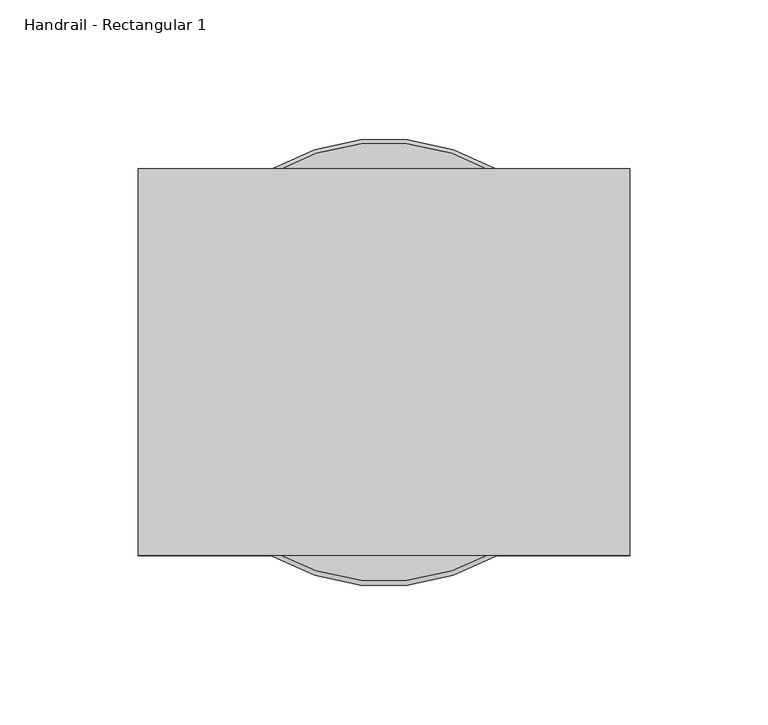
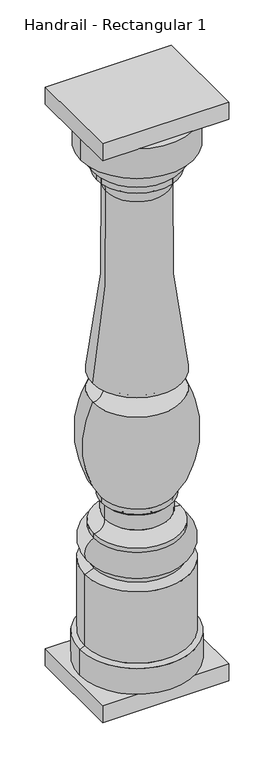
"""IFC4 building model written with IfcOpenShell, lengths in millimetres: railing geometry, Handrail - Rectangular 1."""

from ifc_helpers import new_model, si_unit, point, frame, origin, place, context, project, spatial, polyline, circle_curve, ellipse_curve, trimmed, outline, extrude, source, transform, mapped, element, save
from ifc_brep_helpers import plane_surface, cylinder_surface, revolved_surface, advanced_brep


def handrail_rectangular_1_e3bf1bd7(model_context):
    return source(origin(), model_context, "Body", "SolidModel", [
        advanced_brep(
        [(2310.7566037, 2142.9239298, 939.8), (2231.3816037, 2142.9239298, 939.8), (2390.1316037, 2142.9239298, 939.8), (2391.7191037, 2142.9239298, 127.0), (2229.7941037, 2142.9239298, 127.0), (2310.7566037, 2142.9239298, 127.0), (2391.7191037, 2142.9239298, 165.2785542), (2229.7941037, 2142.9239298, 165.2785542), (2384.5753537, 2142.9239298, 168.275), (2236.9378537, 2142.9239298, 168.275), (2384.5753537, 2142.9239298, 274.7335284), (2236.9378537, 2142.9239298, 274.7335284), (2371.8753537, 2142.9239298, 280.19375), (2249.6378537, 2142.9239298, 280.19375), (2371.8753537, 2142.9239298, 286.54375), (2249.6378537, 2142.9239298, 286.54375), (2371.8753537, 2142.9239298, 324.64375), (2249.6378537, 2142.9239298, 324.64375), (2371.8753537, 2142.9239298, 330.99375), (2249.6378537, 2142.9239298, 330.99375), (2356.1684576, 2142.9239298, 347.276159), (2265.3447498, 2142.9239298, 347.276159), (2356.1684576, 2142.9239298, 368.8906259), (2265.3447498, 2142.9239298, 368.8906259), (2360.7628537, 2142.9239298, 373.85625), (2260.7503537, 2142.9239298, 373.85625), (2360.7628537, 2142.9239298, 381.4842759), (2260.7503537, 2142.9239298, 381.4842759), (2373.4628537, 2142.9239298, 527.84375), (2248.0503537, 2142.9239298, 527.84375), (2373.4628537, 2142.9239298, 556.41875), (2248.0503537, 2142.9239298, 556.41875), (2354.9287519, 2142.9239298, 836.1713606), (2266.5844556, 2142.9239298, 836.1713606), (2367.9066037, 2142.9239298, 858.04375), (2253.6066037, 2142.9239298, 858.04375), (2367.9066037, 2142.9239298, 866.775), (2253.6066037, 2142.9239298, 866.775), (2379.0191037, 2142.9239298, 892.175), (2242.4941037, 2142.9239298, 892.175), (2390.1316037, 2142.9239298, 895.35), (2231.3816037, 2142.9239298, 895.35)],
        [
            (0, 1),
            (1, 2, circle_curve(frame((2310.7566037, 2142.9239298, 939.8), z_axis=(0.0, 0.0, 1.0), x_axis=(-1.0, 0.0, 0.0)), 79.375)),
            (2, 0),
            (2, 1, circle_curve(frame((2310.7566037, 2142.9239298, 939.8), z_axis=(0.0, 0.0, 1.0), x_axis=(-1.0, 0.0, 0.0)), 79.375)),
            (3, 4, circle_curve(frame((2310.7566037, 2142.9239298, 127.0), z_axis=(0.0, 0.0, -1.0), x_axis=(-1.0, 0.0, 0.0)), 80.9625)),
            (4, 5),
            (5, 3),
            (4, 3, circle_curve(frame((2310.7566037, 2142.9239298, 127.0), z_axis=(0.0, 0.0, -1.0), x_axis=(-1.0, 0.0, 0.0)), 80.9625)),
            (6, 7, circle_curve(frame((2310.7566037, 2142.9239298, 165.2785542), z_axis=(0.0, 0.0, -1.0), x_axis=(-1.0, 0.0, 0.0)), 80.9625)),
            (7, 4),
            (3, 6),
            (7, 6, circle_curve(frame((2310.7566037, 2142.9239298, 165.2785542), z_axis=(0.0, 0.0, -1.0), x_axis=(-1.0, 0.0, 0.0)), 80.9625)),
            (8, 9, circle_curve(frame((2310.7566037, 2142.9239298, 168.275), z_axis=(0.0, 0.0, -1.0), x_axis=(-1.0, 0.0, 0.0)), 73.81875)),
            (9, 7),
            (6, 8),
            (9, 8, circle_curve(frame((2310.7566037, 2142.9239298, 168.275), z_axis=(0.0, 0.0, -1.0), x_axis=(-1.0, 0.0, 0.0)), 73.81875)),
            (10, 11, circle_curve(frame((2310.7566037, 2142.9239298, 274.7335284), z_axis=(0.0, 0.0, -1.0), x_axis=(-1.0, 0.0, 0.0)), 73.81875)),
            (11, 9),
            (8, 10),
            (11, 10, circle_curve(frame((2310.7566037, 2142.9239298, 274.7335284), z_axis=(0.0, 0.0, -1.0), x_axis=(-1.0, 0.0, 0.0)), 73.81875)),
            (12, 13, circle_curve(frame((2310.7566037, 2142.9239298, 280.19375), z_axis=(0.0, 0.0, -1.0), x_axis=(-1.0, 0.0, 0.0)), 61.11875)),
            (13, 11),
            (10, 12),
            (13, 12, circle_curve(frame((2310.7566037, 2142.9239298, 280.19375), z_axis=(0.0, 0.0, -1.0), x_axis=(-1.0, 0.0, 0.0)), 61.11875)),
            (14, 15, circle_curve(frame((2310.7566037, 2142.9239298, 286.54375), z_axis=(0.0, 0.0, -1.0), x_axis=(-1.0, 0.0, 0.0)), 61.11875)),
            (15, 13),
            (12, 14),
            (15, 14, circle_curve(frame((2310.7566037, 2142.9239298, 286.54375), z_axis=(0.0, 0.0, -1.0), x_axis=(-1.0, 0.0, 0.0)), 61.11875)),
            (16, 17, circle_curve(frame((2310.7566037, 2142.9239298, 324.64375), z_axis=(0.0, 0.0, -1.0), x_axis=(-1.0, 0.0, 0.0)), 61.11875)),
            (17, 15, circle_curve(frame((2257.9031639, 2142.9239298, 305.59375), z_axis=(0.0, -1.0, 0.0), x_axis=(1.0, 0.0, 0.0)), 20.7657856)),
            (14, 16, circle_curve(frame((2363.6100435, 2142.9239298, 305.59375), z_axis=(0.0, -1.0, 0.0), x_axis=(-1.0, 0.0, 0.0)), 20.7657856)),
            (17, 16, circle_curve(frame((2310.7566037, 2142.9239298, 324.64375), z_axis=(0.0, 0.0, -1.0), x_axis=(-1.0, 0.0, 0.0)), 61.11875)),
            (18, 19, circle_curve(frame((2310.7566037, 2142.9239298, 330.99375), z_axis=(0.0, 0.0, -1.0), x_axis=(-1.0, 0.0, 0.0)), 61.11875)),
            (19, 17),
            (16, 18),
            (19, 18, circle_curve(frame((2310.7566037, 2142.9239298, 330.99375), z_axis=(0.0, 0.0, -1.0), x_axis=(-1.0, 0.0, 0.0)), 61.11875)),
            (20, 21, circle_curve(frame((2310.7566037, 2142.9239298, 347.276159), z_axis=(0.0, 0.0, -1.0), x_axis=(-1.0, 0.0, 0.0)), 45.4118539)),
            (21, 19, circle_curve(frame((2250.1048262, 2142.9239298, 346.26035), z_axis=(0.0, 1.0, 0.0), x_axis=(1.0, 0.0, 0.0)), 15.2737402)),
            (18, 20, circle_curve(frame((2371.4083812, 2142.9239298, 346.26035), z_axis=(0.0, 1.0, 0.0), x_axis=(-1.0, 0.0, 0.0)), 15.2737402)),
            (21, 20, circle_curve(frame((2310.7566037, 2142.9239298, 347.276159), z_axis=(0.0, 0.0, -1.0), x_axis=(-1.0, 0.0, 0.0)), 45.4118539)),
            (22, 23, circle_curve(frame((2310.7566037, 2142.9239298, 368.8906259), z_axis=(0.0, 0.0, -1.0), x_axis=(-1.0, 0.0, 0.0)), 45.4118539)),
            (23, 21),
            (20, 22),
            (23, 22, circle_curve(frame((2310.7566037, 2142.9239298, 368.8906259), z_axis=(0.0, 0.0, -1.0), x_axis=(-1.0, 0.0, 0.0)), 45.4118539)),
            (24, 25, circle_curve(frame((2310.7566037, 2142.9239298, 373.85625), z_axis=(0.0, 0.0, -1.0), x_axis=(-1.0, 0.0, 0.0)), 50.00625)),
            (25, 23, circle_curve(frame((2260.4985073, 2142.9239298, 369.014959), z_axis=(0.0, 1.0, 0.0), x_axis=(1.0, 0.0, 0.0)), 4.8478372)),
            (22, 24, circle_curve(frame((2361.0147002, 2142.9239298, 369.014959), z_axis=(0.0, 1.0, 0.0), x_axis=(-1.0, 0.0, 0.0)), 4.8478372)),
            (25, 24, circle_curve(frame((2310.7566037, 2142.9239298, 373.85625), z_axis=(0.0, 0.0, -1.0), x_axis=(-1.0, 0.0, 0.0)), 50.00625)),
            (26, 27, circle_curve(frame((2310.7566037, 2142.9239298, 381.4842759), z_axis=(0.0, 0.0, -1.0), x_axis=(-1.0, 0.0, 0.0)), 50.00625)),
            (27, 25),
            (24, 26),
            (27, 26, circle_curve(frame((2310.7566037, 2142.9239298, 381.4842759), z_axis=(0.0, 0.0, -1.0), x_axis=(-1.0, 0.0, 0.0)), 50.00625)),
            (28, 29, circle_curve(frame((2310.7566037, 2142.9239298, 527.84375), z_axis=(0.0, 0.0, -1.0), x_axis=(-1.0, 0.0, 0.0)), 62.70625)),
            (29, 27, circle_curve(frame((2378.3873348, 2142.9239298, 465.4226923), z_axis=(0.0, -1.0, 0.0), x_axis=(1.0, 0.0, 0.0)), 144.5133802)),
            (26, 28, circle_curve(frame((2243.1258727, 2142.9239298, 465.4226923), z_axis=(0.0, -1.0, 0.0), x_axis=(-1.0, 0.0, 0.0)), 144.5133802)),
            (29, 28, circle_curve(frame((2310.7566037, 2142.9239298, 527.84375), z_axis=(0.0, 0.0, -1.0), x_axis=(-1.0, 0.0, 0.0)), 62.70625)),
            (30, 31, circle_curve(frame((2310.7566037, 2142.9239298, 556.41875), z_axis=(0.0, 0.0, -1.0), x_axis=(-1.0, 0.0, 0.0)), 62.70625)),
            (31, 29, circle_curve(frame((2248.898477, 2142.9239298, 542.13125), z_axis=(0.0, 1.0, 0.0), x_axis=(1.0, 0.0, 0.0)), 14.3126507)),
            (28, 30, circle_curve(frame((2372.6147304, 2142.9239298, 542.13125), z_axis=(0.0, 1.0, 0.0), x_axis=(-1.0, 0.0, 0.0)), 14.3126507)),
            (31, 30, circle_curve(frame((2310.7566037, 2142.9239298, 556.41875), z_axis=(0.0, 0.0, -1.0), x_axis=(-1.0, 0.0, 0.0)), 62.70625)),
            (32, 33, circle_curve(frame((2310.7566037, 2142.9239298, 836.1713606), z_axis=(0.0, 0.0, -1.0), x_axis=(-1.0, 0.0, 0.0)), 44.1721482)),
            (33, 31, circle_curve(frame((1136.7651051, 2142.9239298, 770.5336134), z_axis=(0.0, 1.0, 0.0), x_axis=(1.0, 0.0, 0.0)), 1131.7243827)),
            (30, 32, circle_curve(frame((3484.7481023, 2142.9239298, 770.5336134), z_axis=(0.0, 1.0, 0.0), x_axis=(-1.0, 0.0, 0.0)), 1131.7243827)),
            (33, 32, circle_curve(frame((2310.7566037, 2142.9239298, 836.1713606), z_axis=(0.0, 0.0, -1.0), x_axis=(-1.0, 0.0, 0.0)), 44.1721482)),
            (34, 35, circle_curve(frame((2310.7566037, 2142.9239298, 858.04375), z_axis=(0.0, 0.0, -1.0), x_axis=(-1.0, 0.0, 0.0)), 57.15)),
            (35, 33, circle_curve(frame((2245.5621509, 2142.9239298, 838.4842616), z_axis=(0.0, 1.0, 0.0), x_axis=(1.0, 0.0, 0.0)), 21.1491562)),
            (32, 34, circle_curve(frame((2375.9510566, 2142.9239298, 838.4842616), z_axis=(0.0, 1.0, 0.0), x_axis=(-1.0, 0.0, 0.0)), 21.1491562)),
            (35, 34, circle_curve(frame((2310.7566037, 2142.9239298, 858.04375), z_axis=(0.0, 0.0, -1.0), x_axis=(-1.0, 0.0, 0.0)), 57.15)),
            (36, 37, circle_curve(frame((2310.7566037, 2142.9239298, 866.775), z_axis=(0.0, 0.0, -1.0), x_axis=(-1.0, 0.0, 0.0)), 57.15)),
            (37, 35),
            (34, 36),
            (37, 36, circle_curve(frame((2310.7566037, 2142.9239298, 866.775), z_axis=(0.0, 0.0, -1.0), x_axis=(-1.0, 0.0, 0.0)), 57.15)),
            (38, 39, circle_curve(frame((2310.7566037, 2142.9239298, 892.175), z_axis=(0.0, 0.0, -1.0), x_axis=(-1.0, 0.0, 0.0)), 68.2625)),
            (39, 37, circle_curve(frame((2271.8317085, 2142.9239298, 889.8793427), z_axis=(0.0, -1.0, 0.0), x_axis=(1.0, 0.0, 0.0)), 29.4272849)),
            (36, 38, circle_curve(frame((2349.6814989, 2142.9239298, 889.8793427), z_axis=(0.0, -1.0, 0.0), x_axis=(-1.0, 0.0, 0.0)), 29.4272849)),
            (39, 38, circle_curve(frame((2310.7566037, 2142.9239298, 892.175), z_axis=(0.0, 0.0, -1.0), x_axis=(-1.0, 0.0, 0.0)), 68.2625)),
            (40, 41, circle_curve(frame((2310.7566037, 2142.9239298, 895.35), z_axis=(0.0, 0.0, -1.0), x_axis=(-1.0, 0.0, 0.0)), 79.375)),
            (41, 39),
            (38, 40),
            (41, 40, circle_curve(frame((2310.7566037, 2142.9239298, 895.35), z_axis=(0.0, 0.0, -1.0), x_axis=(-1.0, 0.0, 0.0)), 79.375)),
            (1, 41),
            (40, 2),
        ],
        [
            plane_surface(frame((2310.7566037, 2142.9239298, 939.8), z_axis=(0.0, 0.0, 1.0), x_axis=(-1.0, 0.0, 0.0))),
            plane_surface(frame((2310.7566037, 2142.9239298, 127.0), z_axis=(0.0, 0.0, -1.0), x_axis=(-1.0, 0.0, 0.0))),
            cylinder_surface(frame((2310.7566037, 2142.9239298, 1009.65), z_axis=(0.0, 0.0, 1.0), x_axis=(-1.0, 0.0, 0.0)), 80.9625),
            revolved_surface(polyline([(2229.7941037, 2142.9239298, 165.2785542), (2236.9378537, 2142.9239298, 168.275)]), (2310.7566037, 2142.9239298, 1009.65), (0.0, 0.0, 1.0)),
            cylinder_surface(frame((2310.7566037, 2142.9239298, 1009.65), z_axis=(0.0, 0.0, 1.0), x_axis=(-1.0, 0.0, 0.0)), 73.81875),
            revolved_surface(polyline([(2236.9378537, 2142.9239298, 274.7335284), (2249.6378537, 2142.9239298, 280.19375)]), (2310.7566037, 2142.9239298, 1009.65), (0.0, 0.0, 1.0)),
            cylinder_surface(frame((2310.7566037, 2142.9239298, 1009.65), z_axis=(0.0, 0.0, 1.0), x_axis=(-1.0, 0.0, 0.0)), 61.11875),
            revolved_surface(trimmed(ellipse_curve(frame((2257.9031639, 2142.9239298, 305.59375), z_axis=(0.0, 1.0, 0.0), x_axis=(1.0, 0.0, 0.0)), 20.7657856, 20.7657856), [point((2249.6378537, 2142.9239298, 286.54375))], [point((2249.6378537, 2142.9239298, 324.64375))], True, "CARTESIAN"), (2310.7566037, 2142.9239298, 1009.65), (0.0, 0.0, 1.0)),
            revolved_surface(trimmed(ellipse_curve(frame((2250.1048262, 2142.9239298, 346.26035), z_axis=(0.0, -1.0, 0.0), x_axis=(1.0, 0.0, 0.0)), 15.2737402, 15.2737402), [point((2249.6378537, 2142.9239298, 330.99375))], [point((2265.3447498, 2142.9239298, 347.276159))], True, "CARTESIAN"), (2310.7566037, 2142.9239298, 1009.65), (0.0, 0.0, 1.0)),
            cylinder_surface(frame((2310.7566037, 2142.9239298, 1009.65), z_axis=(0.0, 0.0, 1.0), x_axis=(-1.0, 0.0, 0.0)), 45.4118539),
            revolved_surface(trimmed(ellipse_curve(frame((2260.4985073, 2142.9239298, 369.014959), z_axis=(0.0, -1.0, 0.0), x_axis=(1.0, 0.0, 0.0)), 4.8478372, 4.8478372), [point((2265.3447498, 2142.9239298, 368.8906259))], [point((2260.7503537, 2142.9239298, 373.85625))], True, "CARTESIAN"), (2310.7566037, 2142.9239298, 1009.65), (0.0, 0.0, 1.0)),
            cylinder_surface(frame((2310.7566037, 2142.9239298, 1009.65), z_axis=(0.0, 0.0, 1.0), x_axis=(-1.0, 0.0, 0.0)), 50.00625),
            revolved_surface(trimmed(ellipse_curve(frame((2378.3873348, 2142.9239298, 465.4226923), z_axis=(0.0, 1.0, 0.0), x_axis=(1.0, 0.0, 0.0)), 144.5133802, 144.5133802), [point((2260.7503537, 2142.9239298, 381.4842759))], [point((2248.0503537, 2142.9239298, 527.84375))], True, "CARTESIAN"), (2310.7566037, 2142.9239298, 1009.65), (0.0, 0.0, 1.0)),
            revolved_surface(trimmed(ellipse_curve(frame((2248.898477, 2142.9239298, 542.13125), z_axis=(0.0, -1.0, 0.0), x_axis=(1.0, 0.0, 0.0)), 14.3126507, 14.3126507), [point((2248.0503537, 2142.9239298, 527.84375))], [point((2248.0503537, 2142.9239298, 556.41875))], True, "CARTESIAN"), (2310.7566037, 2142.9239298, 1009.65), (0.0, 0.0, 1.0)),
            revolved_surface(trimmed(ellipse_curve(frame((1136.7651051, 2142.9239298, 770.5336134), z_axis=(0.0, -1.0, 0.0), x_axis=(1.0, 0.0, 0.0)), 1131.7243827, 1131.7243827), [point((2248.0503537, 2142.9239298, 556.41875))], [point((2266.5844556, 2142.9239298, 836.1713606))], True, "CARTESIAN"), (2310.7566037, 2142.9239298, 1009.65), (0.0, 0.0, 1.0)),
            revolved_surface(trimmed(ellipse_curve(frame((2245.5621509, 2142.9239298, 838.4842616), z_axis=(0.0, -1.0, 0.0), x_axis=(1.0, 0.0, 0.0)), 21.1491562, 21.1491562), [point((2266.5844556, 2142.9239298, 836.1713606))], [point((2253.6066037, 2142.9239298, 858.04375))], True, "CARTESIAN"), (2310.7566037, 2142.9239298, 1009.65), (0.0, 0.0, 1.0)),
            cylinder_surface(frame((2310.7566037, 2142.9239298, 1009.65), z_axis=(0.0, 0.0, 1.0), x_axis=(-1.0, 0.0, 0.0)), 57.15),
            revolved_surface(trimmed(ellipse_curve(frame((2271.8317085, 2142.9239298, 889.8793427), z_axis=(0.0, 1.0, 0.0), x_axis=(1.0, 0.0, 0.0)), 29.4272849, 29.4272849), [point((2253.6066037, 2142.9239298, 866.775))], [point((2242.4941037, 2142.9239298, 892.175))], True, "CARTESIAN"), (2310.7566037, 2142.9239298, 1009.65), (0.0, 0.0, 1.0)),
            revolved_surface(polyline([(2242.4941037, 2142.9239298, 892.175), (2231.3816037, 2142.9239298, 895.35)]), (2310.7566037, 2142.9239298, 1009.65), (0.0, 0.0, 1.0)),
            cylinder_surface(frame((2310.7566037, 2142.9239298, 1009.65), z_axis=(0.0, 0.0, 1.0), x_axis=(-1.0, 0.0, 0.0)), 79.375),
        ],
        [
            (0, [[1, 2, 3]]),
            (0, [[-3, 4, -1]]),
            (1, [[5, 6, 7]]),
            (1, [[8, -7, -6]]),
            (2, [[9, 10, -5, 11]]),
            (2, [[12, -11, -8, -10]]),
            (3, [[13, 14, -9, 15]]),
            (3, [[16, -15, -12, -14]]),
            (4, [[17, 18, -13, 19]]),
            (4, [[20, -19, -16, -18]]),
            (5, [[21, 22, -17, 23]]),
            (5, [[24, -23, -20, -22]]),
            (6, [[25, 26, -21, 27]]),
            (6, [[28, -27, -24, -26]]),
            (7, [[29, 30, -25, 31]]),
            (7, [[32, -31, -28, -30]]),
            (6, [[33, 34, -29, 35]]),
            (6, [[36, -35, -32, -34]]),
            (8, [[37, 38, -33, 39]]),
            (8, [[40, -39, -36, -38]]),
            (9, [[41, 42, -37, 43]]),
            (9, [[44, -43, -40, -42]]),
            (10, [[45, 46, -41, 47]]),
            (10, [[48, -47, -44, -46]]),
            (11, [[49, 50, -45, 51]]),
            (11, [[52, -51, -48, -50]]),
            (12, [[53, 54, -49, 55]]),
            (12, [[56, -55, -52, -54]]),
            (13, [[57, 58, -53, 59]]),
            (13, [[60, -59, -56, -58]]),
            (14, [[61, 62, -57, 63]]),
            (14, [[64, -63, -60, -62]]),
            (15, [[65, 66, -61, 67]]),
            (15, [[68, -67, -64, -66]]),
            (16, [[69, 70, -65, 71]]),
            (16, [[72, -71, -68, -70]]),
            (17, [[73, 74, -69, 75]]),
            (17, [[76, -75, -72, -74]]),
            (18, [[77, 78, -73, 79]]),
            (18, [[80, -79, -76, -78]]),
            (19, [[-2, 81, -77, 82]]),
            (19, [[-4, -82, -80, -81]]),
        ],
    ),
        extrude(outline(polyline([(2221.8566037, 2073.0739298), (2221.8566037, 2212.7739298), (2399.6566037, 2212.7739298), (2399.6566037, 2073.0739298), (2221.8566037, 2073.0739298)])), frame((0.0, 0.0, 101.6), z_axis=(0.0, 0.0, 1.0), x_axis=(1.0, 0.0, 0.0)), (0.0, 0.0, 1.0), 25.4),
        extrude(outline(polyline([(2221.8566037, 2212.7739298), (2399.6566037, 2212.7739298), (2399.6566037, 2073.0739298), (2221.8566037, 2073.0739298), (2221.8566037, 2212.7739298)])), frame((0.0, 0.0, 939.8), z_axis=(0.0, 0.0, 1.0), x_axis=(1.0, 0.0, 0.0)), (0.0, 0.0, 1.0), 25.4),
    ])


if __name__ == "__main__":
    model = new_model("IFC4")
    model_context = context("Model", 3, world=origin())
    ifc_project = project(units=[si_unit("LENGTHUNIT", "METRE", prefix="MILLI")], contexts=[model_context])
    site = spatial("IfcSite", under=ifc_project)
    building = spatial("IfcBuilding", under=site)
    placement = place(None, origin())
    handrail_rectangular_1_shape = handrail_rectangular_1_e3bf1bd7(model_context)
    element("IfcRailing", 1, ObjectType="Handrail - Rectangular 1", at=placement, inside=building, context=model_context, shape_type="MappedRepresentation", body=[
        mapped(handrail_rectangular_1_shape, transform((0.0, 0.0, 0.0), x_axis=(1.0, 0.0, 0.0), y_axis=(0.0, 1.0, 0.0), z_axis=(0.0, 0.0, 1.0))),
    ])
    save(model, "model.ifc")
